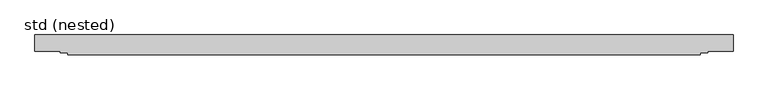
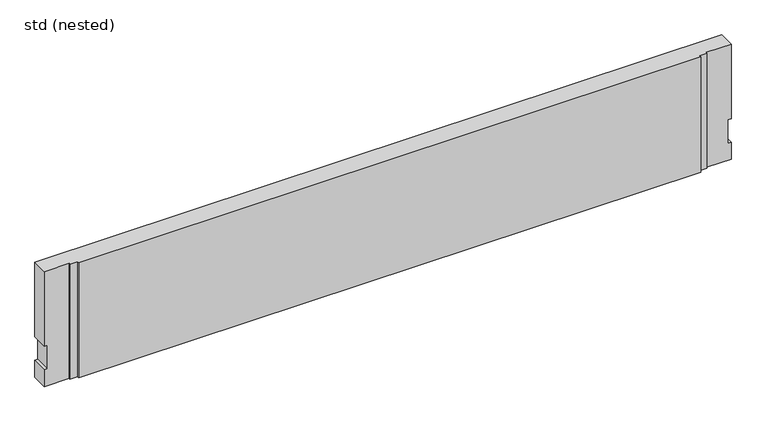
"""IFC4 building model written with IfcOpenShell, lengths in millimetres: proxy geometry, std (nested)."""

from ifc_helpers import new_model, si_unit, origin, place, context, project, spatial, faceted_brep, source, transform, mapped, element, save


def std_nested_24811f77(model_context):
    return source(origin(), model_context, "Body", "Brep", [
        faceted_brep([(-1129.5, 0.0, 400.0), (-1129.5, -53.3, 400.0), (-1048.0, -53.3, 400.0), (-1048.0, -57.2, 400.0), (-1022.9, -57.2, 400.0), (-1022.9, -65.0, 400.0), (1022.9, -65.0, 400.0), (1022.9, -57.2, 400.0), (1048.0, -57.2, 400.0), (1048.0, -53.3, 400.0), (1129.5, -53.3, 400.0), (1129.5, 0.0, 400.0), (-1129.5, 0.0, 0.0), (1129.5, 0.0, 0.0), (1129.5, -53.3, 0.0), (1048.0, -53.3, 0.0), (1048.0, -57.2, 0.0), (1022.9, -57.2, 0.0), (1022.9, -65.0, 0.0), (-1022.9, -65.0, 0.0), (-1022.9, -57.2, 0.0), (-1048.0, -57.2, 0.0), (-1048.0, -53.3, 0.0), (-1129.5, -53.3, 0.0), (-1129.5, 0.0, 141.0), (-1129.5, -53.3, 141.0), (-1129.5, -53.3, 59.0), (-1129.5, 0.0, 59.0), (-1119.5, -53.3, 141.0), (-1119.5, -53.3, 59.0), (1129.5, -53.3, 59.0), (1119.5, -53.3, 59.0), (1119.5, -53.3, 141.0), (1129.5, -53.3, 141.0), (1129.5, 0.0, 141.0), (1129.5, 0.0, 59.0), (1119.5, 0.0, 141.0), (1119.5, 0.0, 59.0), (-1119.5, 0.0, 59.0), (-1119.5, 0.0, 141.0)], [[[0, 1, 2, 3, 4, 5, 6, 7, 8, 9, 10, 11]], [[12, 13, 14, 15, 16, 17, 18, 19, 20, 21, 22, 23]], [[1, 0, 24, 25]], [[12, 23, 26, 27]], [[2, 1, 25, 28, 29, 26, 23, 22]], [[3, 2, 22, 21]], [[4, 3, 21, 20]], [[5, 4, 20, 19]], [[6, 5, 19, 18]], [[7, 6, 18, 17]], [[8, 7, 17, 16]], [[9, 8, 16, 15]], [[10, 9, 15, 14, 30, 31, 32, 33]], [[11, 10, 33, 34]], [[14, 13, 35, 30]], [[0, 11, 34, 36, 37, 35, 13, 12, 27, 38, 39, 24]], [[39, 28, 25, 24]], [[29, 38, 27, 26]], [[28, 39, 38, 29]], [[32, 36, 34, 33]], [[36, 32, 31, 37]], [[37, 31, 30, 35]]]),
    ])


if __name__ == "__main__":
    model = new_model("IFC4")
    model_context = context("Model", 3, world=origin())
    ifc_project = project(units=[si_unit("LENGTHUNIT", "METRE", prefix="MILLI")], contexts=[model_context])
    site = spatial("IfcSite", under=ifc_project)
    building = spatial("IfcBuilding", under=site)
    placement = place(None, origin())
    std_nested_shape = std_nested_24811f77(model_context)
    element("IfcBuildingElementProxy", 1, Name="std (nested)", ObjectType="std (nested)", at=placement, inside=building, context=model_context, shape_type="MappedRepresentation", body=[
        mapped(std_nested_shape, transform((0.0, 0.0, 0.0), x_axis=(1.0, 0.0, 0.0), y_axis=(0.0, 1.0, 0.0), z_axis=(0.0, 0.0, 1.0))),
    ])
    save(model, "model.ifc")
